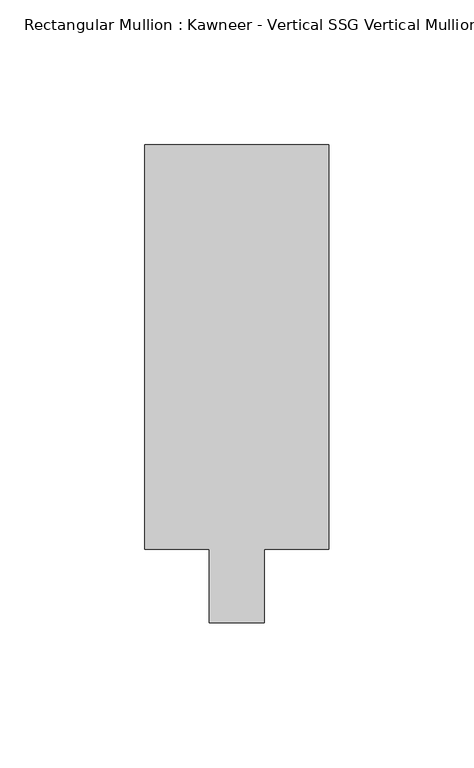
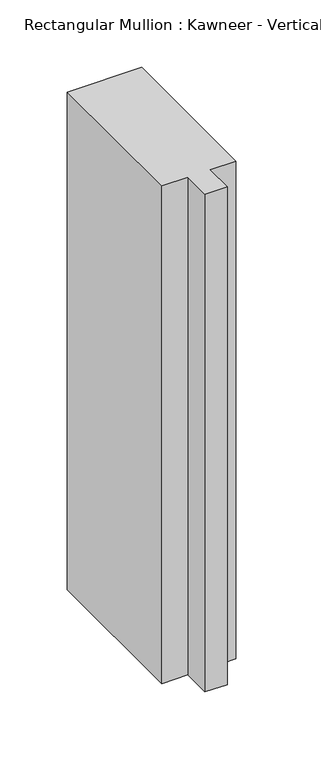
"""IFC4 building model written with IfcOpenShell, lengths in millimetres: member geometry."""

from ifc_helpers import new_model, si_unit, frame, origin, place, context, project, spatial, polyline, outline, extrude, source, transform, mapped, element, save


def member_d03f04d3(model_context):
    return source(origin(), model_context, "Body", "SweptSolid", [
        extrude(outline(polyline([(-31.75, 12.7), (-31.75, 152.399995), (31.75, 152.399995), (31.75, 12.7), (9.5251132, 12.7), (9.5251132, -12.7), (-9.5251132, -12.7), (-9.5251132, 12.7), (-31.75, 12.7)])), frame((0.0, 0.0, -450.3603332), z_axis=(0.0, 0.0, 1.0), x_axis=(1.0, 0.0, 0.0)), (0.0, 0.0, 1.0), 450.3603332),
    ])


if __name__ == "__main__":
    model = new_model("IFC4")
    model_context = context("Model", 3, world=origin())
    ifc_project = project(units=[si_unit("LENGTHUNIT", "METRE", prefix="MILLI")], contexts=[model_context])
    site = spatial("IfcSite", under=ifc_project)
    building = spatial("IfcBuilding", under=site)
    placement = place(None, origin())
    member_shape = member_d03f04d3(model_context)
    element("IfcMember", 1, ObjectType="Rectangular Mullion : Kawneer - Vertical SSG Vertical Mullion - 7 1/2\"", at=placement, inside=building, context=model_context, shape_type="MappedRepresentation", body=[
        mapped(member_shape, transform((0.0, 0.0, 0.0), x_axis=(1.0, 0.0, 0.0), y_axis=(0.0, 1.0, 0.0), z_axis=(0.0, 0.0, 1.0))),
    ])
    save(model, "model.ifc")
